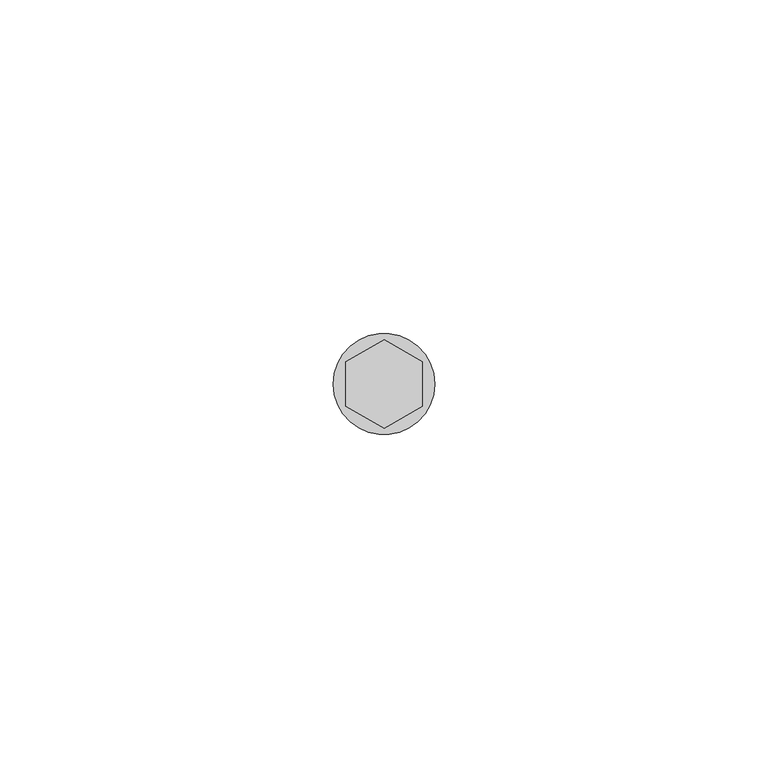
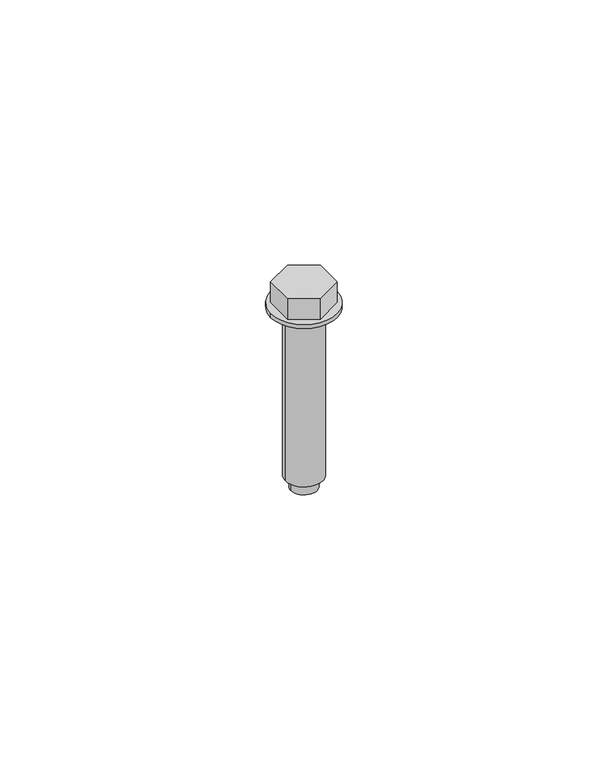
"""IFC4 building model written with IfcOpenShell, lengths in millimetres: proxy geometry."""

from ifc_helpers import new_model, si_unit, point, frame, origin, origin_2d, place, context, project, spatial, polyline, circle_curve, trimmed, segment, composite_curve, outline, extrude, source, transform, mapped, element, save


def generic_models_ab9f36ca(model_context):
    return source(origin(), model_context, "Body", "SweptSolid", [
        extrude(outline(composite_curve([segment(trimmed(circle_curve(origin_2d(), 4.2841674), [point((-4.2841674, 0.0))], [point((4.2841674, 0.0))], False, "CARTESIAN"), True, "CONTINUOUS"), segment(trimmed(circle_curve(origin_2d(), 4.2841674), [point((4.2841674, 0.0))], [point((-4.2841674, 0.0))], False, "CARTESIAN"), True, "CONTINUOUS")], self_intersect=False), holes=[composite_curve([segment(trimmed(circle_curve(origin_2d(), 3.5439164), [point((-3.5439164, 0.0))], [point((3.5439164, 0.0))], True, "CARTESIAN"), True, "CONTINUOUS"), segment(trimmed(circle_curve(origin_2d(), 3.5439164), [point((3.5439164, 0.0))], [point((-3.5439164, 0.0))], True, "CARTESIAN"), True, "CONTINUOUS")], self_intersect=False)]), frame((0.0, 0.0, -33.7234863), z_axis=(0.0, 0.0, 1.0), x_axis=(1.0, 0.0, 0.0)), (0.0, 0.0, 1.0), 40.7234863),
        extrude(outline(polyline([(0.0, -6.6082069), (-5.722875, -3.3041034), (-5.722875, 3.3041034), (0.0, 6.6082069), (5.722875, 3.3041034), (5.722875, -3.3041034), (0.0, -6.6082069)])), frame((0.0, 0.0, 8.0), z_axis=(0.0, 0.0, 1.0), x_axis=(1.0, 0.0, 0.0)), (0.0, 0.0, 1.0), 5.0),
        extrude(outline(composite_curve([segment(trimmed(circle_curve(origin_2d(), 7.6155736), [point((-7.6155736, 0.0))], [point((7.6155736, 0.0))], False, "CARTESIAN"), True, "CONTINUOUS"), segment(trimmed(circle_curve(origin_2d(), 7.6155736), [point((7.6155736, 0.0))], [point((-7.6155736, 0.0))], False, "CARTESIAN"), True, "CONTINUOUS")], self_intersect=False), holes=[composite_curve([segment(trimmed(circle_curve(origin_2d(), 3.0), [point((-3.0, 0.0))], [point((3.0, 0.0))], True, "CARTESIAN"), True, "CONTINUOUS"), segment(trimmed(circle_curve(origin_2d(), 3.0), [point((3.0, 0.0))], [point((-3.0, 0.0))], True, "CARTESIAN"), True, "CONTINUOUS")], self_intersect=False)]), frame((0.0, 0.0, 7.0), z_axis=(0.0, 0.0, 1.0), x_axis=(1.0, 0.0, 0.0)), (0.0, 0.0, 1.0), 1.0),
        extrude(outline(composite_curve([segment(trimmed(circle_curve(origin_2d(), 3.0), [point((-3.0, 0.0))], [point((3.0, 0.0))], False, "CARTESIAN"), True, "CONTINUOUS"), segment(trimmed(circle_curve(origin_2d(), 3.0), [point((3.0, 0.0))], [point((-3.0, 0.0))], False, "CARTESIAN"), True, "CONTINUOUS")], self_intersect=False)), frame((0.0, 0.0, -36.5424726), z_axis=(0.0, 0.0, 1.0), x_axis=(1.0, 0.0, 0.0)), (0.0, 0.0, 1.0), 43.5424726),
    ])


if __name__ == "__main__":
    model = new_model("IFC4")
    model_context = context("Model", 3, world=origin())
    ifc_project = project(units=[si_unit("LENGTHUNIT", "METRE", prefix="MILLI")], contexts=[model_context])
    site = spatial("IfcSite", under=ifc_project)
    building = spatial("IfcBuilding", under=site)
    placement = place(None, origin())
    generic_models_shape = generic_models_ab9f36ca(model_context)
    element("IfcBuildingElementProxy", 1, Name="Generic Models", at=placement, inside=building, context=model_context, shape_type="MappedRepresentation", body=[
        mapped(generic_models_shape, transform((0.0, 0.0, 0.0), x_axis=(1.0, 0.0, 0.0), y_axis=(0.0, 1.0, 0.0), z_axis=(0.0, 0.0, 1.0))),
    ])
    save(model, "model.ifc")
